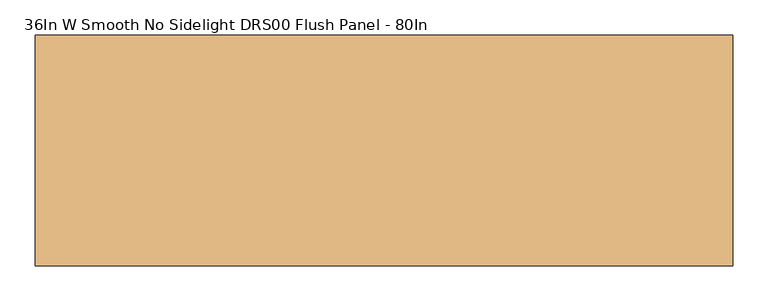
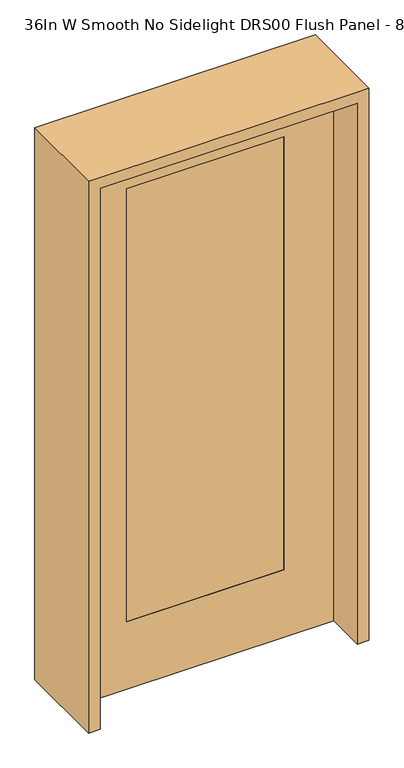
"""IFC4 building model written with IfcOpenShell, lengths in millimetres: door geometry, 36In W Smooth No Sidelight DRS00 Flush Panel - 80In."""

from ifc_helpers import new_model, si_unit, frame, origin, place, context, project, spatial, polyline, outline, extrude, source, transform, mapped, element, save


def door_36in_w_smooth_no_sidelight_drs00_flush_panel_80in_550f9832(model_context):
    return source(origin(), model_context, "Body", "SweptSolid", [
        extrude(outline(polyline([(2032.0, 457.2), (2032.0, -457.2), (0.0, -457.2), (0.0, 457.2), (2032.0, 457.2)]), holes=[polyline([(254.0, 279.4), (254.0, -279.4), (1879.6, -279.4), (1879.6, 279.4), (254.0, 279.4)])]), frame((0.0, -20.701, 0.0), z_axis=(0.0, 1.0, 0.0), x_axis=(0.0, 0.0, 1.0)), (0.0, 0.0, 1.0), 41.402),
        extrude(outline(polyline([(279.4, -20.701), (-279.4, -20.701), (-279.4, 20.701), (279.4, 20.701), (279.4, -20.701)])), frame((0.0, 0.0, 254.0), z_axis=(0.0, 0.0, 1.0), x_axis=(1.0, 0.0, 0.0)), (0.0, 0.0, 1.0), 1625.6),
        extrude(outline(polyline([(2073.275, -498.475), (0.0, -498.475), (0.0, -457.2), (2032.0, -457.2), (2032.0, 457.2), (0.0, 457.2), (0.0, 498.475), (2073.275, 498.475), (2073.275, -498.475)])), frame((0.0, -165.1, 0.0), z_axis=(0.0, 1.0, 0.0), x_axis=(0.0, 0.0, 1.0)), (0.0, 0.0, 1.0), 330.2),
    ])


if __name__ == "__main__":
    model = new_model("IFC4")
    model_context = context("Model", 3, world=origin())
    ifc_project = project(units=[si_unit("LENGTHUNIT", "METRE", prefix="MILLI")], contexts=[model_context])
    site = spatial("IfcSite", under=ifc_project)
    building = spatial("IfcBuilding", under=site)
    placement = place(None, origin())
    door_36in_w_smooth_no_sidelight_drs00_flush_panel_80in_shape = door_36in_w_smooth_no_sidelight_drs00_flush_panel_80in_550f9832(model_context)
    element("IfcDoor", 1, ObjectType="36In W Smooth No Sidelight DRS00 Flush Panel - 80In", at=placement, inside=building, context=model_context, shape_type="MappedRepresentation", body=[
        mapped(door_36in_w_smooth_no_sidelight_drs00_flush_panel_80in_shape, transform((0.0, 0.0, 0.0), x_axis=(1.0, 0.0, 0.0), y_axis=(0.0, 1.0, 0.0), z_axis=(0.0, 0.0, 1.0))),
    ])
    save(model, "model.ifc")
